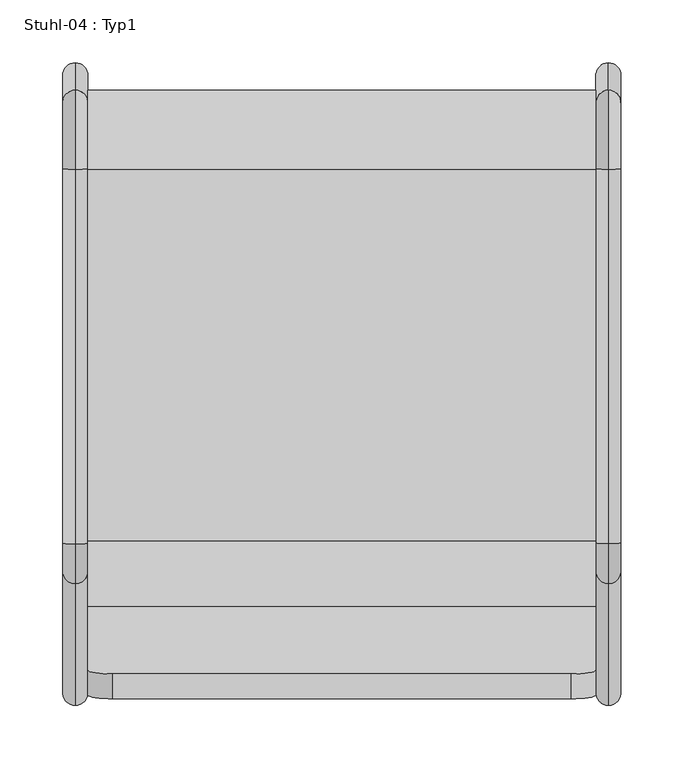
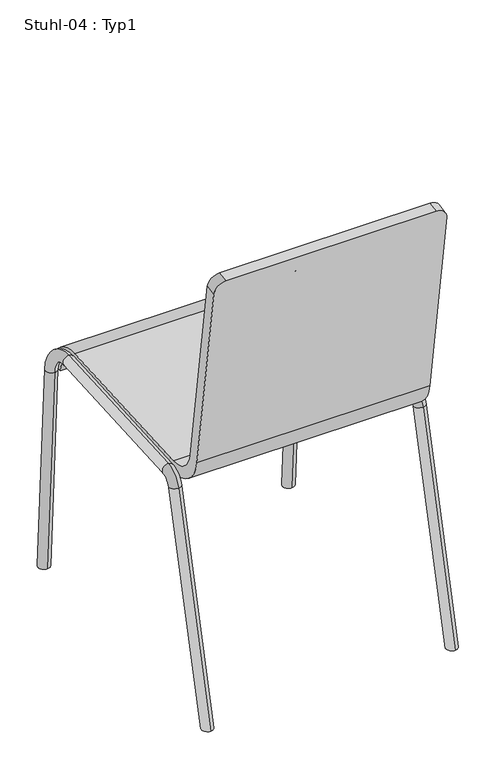
"""IFC4 building model written with IfcOpenShell, lengths in millimetres: furniture geometry, Stuhl-04 : Typ1."""

from ifc_helpers import new_model, si_unit, point, frame, origin, place, context, project, spatial, polyline, circle_curve, ellipse_curve, trimmed, source, transform, mapped, element, save
from ifc_brep_helpers import plane_surface, cylinder_surface, revolved_surface, advanced_brep


def stuhl_04_typ1_73dccce7(model_context):
    return source(origin(), model_context, "Body", "AdvancedBrep", [
        advanced_brep(
        [(-149.6053, 105.450673, 414.5657988), (-149.6053, 53.0953107, 457.0908917), (-149.6053, 2.2391064, 797.3777006), (-149.6053, -17.5412109, 794.4215124), (-149.6053, 33.3149934, 454.1347035), (-149.6053, 106.6125007, 394.5995734), (-149.6053, 402.6537429, 411.8261096), (-149.6053, 444.909849, 374.2173141), (-149.6053, 464.8760744, 375.3791418), (-149.6053, 401.4919152, 431.792335), (-554.6053, 105.450673, 414.5657988), (-554.6053, 401.4919152, 431.792335), (-554.6053, 464.8760744, 375.3791418), (-554.6053, 444.909849, 374.2173141), (-554.6053, 402.6537429, 411.8261096), (-554.6053, 106.6125007, 394.5995734), (-554.6053, 33.3149934, 454.1347035), (-554.6053, -17.5412109, 794.4215124), (-554.6053, 2.2391064, 797.3777006), (-554.6053, 53.0953107, 457.0908917), (-169.6053, -20.4973991, 814.2018297), (-534.6053, -20.4973991, 814.2018297), (-169.6053, -0.7170819, 817.1580179), (-534.6053, -0.7170819, 817.1580179)],
        [
            (0, 1, circle_curve(frame((-149.6053, 102.5461039, 464.4813623), z_axis=(-1.0, 0.0, 0.0), x_axis=(0.0, -1.0, 0.0)), 50.0)),
            (1, 2),
            (2, 3),
            (3, 4),
            (4, 5, circle_curve(frame((-149.6053, 102.5461039, 464.4813623), z_axis=(1.0, 0.0, 0.0), x_axis=(0.0, -1.0, 0.0)), 70.0)),
            (5, 6),
            (6, 7, circle_curve(frame((-149.6053, 404.9773982, 371.8936588), z_axis=(-1.0, 0.0, 0.0), x_axis=(0.0, -1.0, 0.0)), 40.0)),
            (7, 8),
            (8, 9, circle_curve(frame((-149.6053, 404.9773982, 371.8936588), z_axis=(1.0, 0.0, 0.0), x_axis=(0.0, -1.0, 0.0)), 60.0)),
            (9, 0),
            (10, 11),
            (11, 12, circle_curve(frame((-554.6053, 404.9773982, 371.8936588), z_axis=(-1.0, 0.0, 0.0), x_axis=(0.0, -1.0, 0.0)), 60.0)),
            (12, 13),
            (13, 14, circle_curve(frame((-554.6053, 404.9773982, 371.8936588), z_axis=(1.0, 0.0, 0.0), x_axis=(0.0, -1.0, 0.0)), 40.0)),
            (14, 15),
            (15, 16, circle_curve(frame((-554.6053, 102.5461039, 464.4813623), z_axis=(-1.0, 0.0, 0.0), x_axis=(0.0, -1.0, 0.0)), 70.0)),
            (16, 17),
            (17, 18),
            (18, 19),
            (19, 10, circle_curve(frame((-554.6053, 102.5461039, 464.4813623), z_axis=(1.0, 0.0, 0.0), x_axis=(0.0, -1.0, 0.0)), 50.0)),
            (9, 11),
            (10, 0),
            (8, 12),
            (7, 13),
            (6, 14),
            (5, 15),
            (4, 16),
            (3, 20, circle_curve(frame((-169.6053, -17.5412109, 794.4215124), z_axis=(0.0, -0.9890158633619166, -0.14780941112961252), x_axis=(-1.0, 0.0, 0.0)), 20.0)),
            (20, 21),
            (21, 17, circle_curve(frame((-534.6053, -17.5412109, 794.4215124), z_axis=(0.0, -0.9890158633619166, -0.14780941112961252), x_axis=(1.0, 0.0, 0.0)), 20.0)),
            (20, 22),
            (22, 23),
            (23, 21),
            (18, 23, circle_curve(frame((-534.6053, 2.2391064, 797.3777006), z_axis=(0.0, 0.9890158633619166, 0.14780941112961252), x_axis=(1.0, 0.0, 0.0)), 20.0)),
            (22, 2, circle_curve(frame((-169.6053, 2.2391064, 797.3777006), z_axis=(0.0, 0.9890158633619166, 0.14780941112961252), x_axis=(-1.0, 0.0, 0.0)), 20.0)),
            (1, 19),
        ],
        [
            plane_surface(frame((-149.6053, 399.2468499, 431.6616954), z_axis=(1.0000000000000002, 0.0, 0.0), x_axis=(0.0, 0.9983112697039764, 0.05809138302738736))),
            plane_surface(frame((-554.6053, 399.2468499, 431.6616954), z_axis=(-1.0000000000000002, 0.0, 0.0), x_axis=(0.0, -0.9983112697039764, -0.05809138302738736))),
            plane_surface(frame((-149.6053, 105.450673, 414.5657988), z_axis=(0.0, -0.05809138302738736, 0.9983112697039764), x_axis=(-1.0, 0.0, 0.0))),
            cylinder_surface(frame((-554.6053, 404.9773982, 371.8936588), z_axis=(1.0, 0.0, 0.0), x_axis=(0.0, -1.0, 0.0)), 60.0),
            plane_surface(frame((-149.6053, 464.8760744, 375.3791418), z_axis=(0.0, 0.058091383027390926, -0.9983112697039762), x_axis=(-1.0, 0.0, 0.0))),
            revolved_surface(polyline([(-554.6053, 364.9773982, 371.8936588), (-149.6053, 364.9773982, 371.8936588)]), (-554.6053, 404.9773982, 371.8936588), (-1.0, 0.0, 0.0)),
            plane_surface(frame((-149.6053, 402.6537429, 411.8261096), z_axis=(0.0, 0.05809138302738756, -0.9983112697039763), x_axis=(-1.0, 0.0, 0.0))),
            cylinder_surface(frame((-554.6053, 102.5461039, 464.4813623), z_axis=(1.0, 0.0, 0.0), x_axis=(0.0, -1.0, 0.0)), 70.0),
            plane_surface(frame((-149.6053, 33.3149934, 454.1347035), z_axis=(0.0, -0.9890158633619166, -0.1478094111296125), x_axis=(-1.0, 0.0, 0.0))),
            plane_surface(frame((-149.6053, -20.4973991, 814.2018297), z_axis=(0.0, -0.14780941112961524, 0.9890158633619162), x_axis=(-1.0, 0.0, 0.0))),
            plane_surface(frame((-149.6053, -0.7170819, 817.1580179), z_axis=(0.0, 0.9890158633619166, 0.14780941112961254), x_axis=(-1.0, 0.0, 0.0))),
            revolved_surface(polyline([(-554.6053, 52.546103900000006, 464.4813623), (-149.6053, 52.546103900000006, 464.4813623)]), (-554.6053, 102.5461039, 464.4813623), (-1.0, 0.0, 0.0)),
            cylinder_surface(frame((-534.6053, 2.2391064, 797.3777006), z_axis=(0.0, 0.9890158633619166, 0.14780941112961252), x_axis=(1.0, 0.0, 0.0)), 20.0),
            cylinder_surface(frame((-169.6053, 2.2391064, 797.3777006), z_axis=(0.0, 0.9890158633619166, 0.14780941112961252), x_axis=(-1.0, 0.0, 0.0)), 20.0),
        ],
        [
            (0, [[1, 2, 3, 4, 5, 6, 7, 8, 9, 10]]),
            (1, [[11, 12, 13, 14, 15, 16, 17, 18, 19, 20]]),
            (2, [[21, -11, 22, -10]]),
            (3, [[23, -12, -21, -9]]),
            (4, [[24, -13, -23, -8]]),
            (5, [[25, -14, -24, -7]]),
            (6, [[26, -15, -25, -6]]),
            (7, [[27, -16, -26, -5]]),
            (8, [[-4, 28, 29, 30, -17, -27]]),
            (9, [[31, 32, 33, -29]]),
            (10, [[-19, 34, -32, 35, -2, 36]]),
            (11, [[-22, -20, -36, -1]]),
            (12, [[-30, -33, -34, -18]]),
            (13, [[-35, -31, -28, -3]]),
        ],
    ),
        advanced_brep(
        [(-139.5255992, -4.9530016, 0.0), (-139.5255992, -25.5652742, 0.0), (-129.5255992, 476.7023393, 0.0), (-139.5255992, 466.6854234, 0.0), (-149.5255992, 476.7023393, 0.0), (-139.5255992, 90.5686349, 383.1163586), (-139.5255992, 71.1627204, 387.9547965), (-139.5255992, 103.0898724, 414.4284246), (-139.5255992, 104.2517001, 394.4621992), (-139.5255992, 401.4919152, 431.792335), (-139.5255992, 402.6537429, 411.8261096), (-139.5255992, 464.8760744, 375.3791418), (-139.5255992, 444.909849, 374.2173141), (-139.5255992, 486.685452, 0.5809138)],
        [
            (0, 1, ellipse_curve(frame((-139.5255992, -15.2591379, 0.0), z_axis=(0.0, 0.0, -1.0), x_axis=(0.0, -1.0, 0.0)), 10.3061363, 10.0)),
            (1, 0, ellipse_curve(frame((-139.5255992, -15.2591379, 0.0), z_axis=(0.0, 0.0, -1.0), x_axis=(0.0, -1.0, 0.0)), 10.3061363, 10.0)),
            (2, 3, ellipse_curve(frame((-139.5255992, 476.7023393, 0.0), z_axis=(0.0, 0.0, -1.0), x_axis=(0.0, -1.0, 0.0)), 10.0169159, 10.0)),
            (3, 4, ellipse_curve(frame((-139.5255992, 476.7023393, 0.0), z_axis=(0.0, 0.0, -1.0), x_axis=(0.0, -1.0, 0.0)), 10.0169159, 10.0)),
            (4, 2),
            (5, 0),
            (1, 6),
            (6, 5, circle_curve(frame((-139.5255992, 80.8656776, 385.5355776), z_axis=(0.0, -0.24192189559966623, -0.9702957262759968), x_axis=(0.0, -0.9702957262759968, 0.24192189559966623)), 10.0)),
            (5, 6, circle_curve(frame((-139.5255992, 80.8656776, 385.5355776), z_axis=(0.0, -0.24192189559966623, -0.9702957262759968), x_axis=(0.0, -0.9702957262759968, 0.24192189559966623)), 10.0)),
            (6, 7, circle_curve(frame((-139.5255992, 105.1230708, 379.4875302), z_axis=(-1.0, 0.0, 0.0), x_axis=(0.0, -0.9702957262759969, 0.2419218955996659)), 35.0)),
            (7, 8, circle_curve(frame((-139.5255992, 103.6707862, 404.4453119), z_axis=(0.0, -0.9983112697039765, -0.05809138302738498), x_axis=(0.0, -0.05809138302738498, 0.9983112697039765)), 10.0)),
            (8, 5, circle_curve(frame((-139.5255992, 105.1230708, 379.4875302), z_axis=(1.0, 0.0, 0.0), x_axis=(0.0, -0.9702957262759969, 0.2419218955996659)), 15.0)),
            (8, 7, circle_curve(frame((-139.5255992, 103.6707862, 404.4453119), z_axis=(0.0, -0.998311269703977, -0.058091383027376764), x_axis=(0.0, -0.058091383027376764, 0.998311269703977)), 10.0)),
            (7, 9),
            (9, 10, circle_curve(frame((-139.5255992, 402.0728291, 421.8092223), z_axis=(0.0, -0.9983112697039764, -0.058091383027386895), x_axis=(0.0, -0.058091383027386895, 0.9983112697039764)), 10.0)),
            (10, 8),
            (10, 9, circle_curve(frame((-139.5255992, 402.0728291, 421.8092223), z_axis=(0.0, -0.9983112697039764, -0.058091383027386895), x_axis=(0.0, -0.058091383027386895, 0.9983112697039764)), 10.0)),
            (9, 11, circle_curve(frame((-139.5255992, 404.9773982, 371.8936588), z_axis=(-1.0, 0.0, 0.0), x_axis=(0.0, -0.05809138302738633, 0.9983112697039764)), 60.0)),
            (11, 12, circle_curve(frame((-139.5255992, 454.8929617, 374.7982279), z_axis=(0.0, -0.05809138302739081, 0.9983112697039762), x_axis=(0.0, 0.9983112697039762, 0.05809138302739081)), 10.0)),
            (12, 10, circle_curve(frame((-139.5255992, 404.9773982, 371.8936588), z_axis=(1.0, 0.0, 0.0), x_axis=(0.0, -0.05809138302738633, 0.9983112697039764)), 40.0)),
            (12, 11, circle_curve(frame((-139.5255992, 454.8929617, 374.7982279), z_axis=(0.0, -0.058091383027391474, 0.9983112697039761), x_axis=(0.0, 0.9983112697039761, 0.058091383027391474)), 10.0)),
            (4, 13, circle_curve(frame((-139.5255992, 476.7023393, 0.0), z_axis=(0.0, 0.058091383027392335, -0.9983112697039761), x_axis=(0.0, 0.9983112697039761, 0.058091383027392335)), 10.0)),
            (13, 2, circle_curve(frame((-139.5255992, 476.7023393, 0.0), z_axis=(0.0, 0.058091383027392335, -0.9983112697039761), x_axis=(0.0, 0.9983112697039761, 0.058091383027392335)), 10.0)),
            (11, 13),
            (3, 12),
        ],
        [
            plane_surface(frame((-102.1053, -50.7055201, 0.0), z_axis=(0.0, 0.0, -1.0), x_axis=(-1.0, 0.0, 0.0))),
            cylinder_surface(frame((-139.5255992, -17.8692882, -10.4687411), z_axis=(0.0, -0.24192189559966623, -0.9702957262759968), x_axis=(0.0, -0.9702957262759968, 0.24192189559966623)), 10.0),
            revolved_surface(trimmed(ellipse_curve(frame((-139.5255992, 80.8656776, 385.5355776), z_axis=(0.0, 0.2419218955996659, 0.9702957262759969), x_axis=(0.0, -0.9702957262759969, 0.2419218955996659)), 10.0, 10.0), [point((-139.5255992, 90.5686349, 383.1163586))], [point((-139.5255992, 71.1627204, 387.9547965))], True, "CARTESIAN"), (-159.5255992, 105.1230708, 379.4875302), (1.0, 0.0, 0.0)),
            revolved_surface(trimmed(ellipse_curve(frame((-139.5255992, 80.8656776, 385.5355776), z_axis=(0.0, 0.2419218955996659, 0.9702957262759969), x_axis=(0.0, -0.9702957262759969, 0.2419218955996659)), 10.0, 10.0), [point((-139.5255992, 71.1627204, 387.9547965))], [point((-139.5255992, 90.5686349, 383.1163586))], True, "CARTESIAN"), (-159.5255992, 105.1230708, 379.4875302), (1.0, 0.0, 0.0)),
            cylinder_surface(frame((-139.5255992, 103.6707862, 404.4453119), z_axis=(0.0, -0.9983112697039764, -0.058091383027386895), x_axis=(0.0, -0.058091383027386895, 0.9983112697039764)), 10.0),
            revolved_surface(trimmed(ellipse_curve(frame((-139.5255992, 402.0728291, 421.8092223), z_axis=(0.0, 0.9983112697039764, 0.05809138302738631), x_axis=(0.0, -0.05809138302738631, 0.9983112697039764)), 10.0, 10.0), [point((-139.5255992, 402.6537429, 411.8261096))], [point((-139.5255992, 401.4919152, 431.792335))], True, "CARTESIAN"), (-159.5255992, 404.9773982, 371.8936588), (1.0, 0.0, 0.0)),
            revolved_surface(trimmed(ellipse_curve(frame((-139.5255992, 402.0728291, 421.8092223), z_axis=(0.0, 0.9983112697039764, 0.05809138302738631), x_axis=(0.0, -0.05809138302738631, 0.9983112697039764)), 10.0, 10.0), [point((-139.5255992, 401.4919152, 431.792335))], [point((-139.5255992, 402.6537429, 411.8261096))], True, "CARTESIAN"), (-159.5255992, 404.9773982, 371.8936588), (1.0, 0.0, 0.0)),
            plane_surface(frame((-159.5255992, 476.7023393, 0.0), z_axis=(0.0, 0.058091383027392335, -0.9983112697039761), x_axis=(1.0, 0.0, 0.0))),
            cylinder_surface(frame((-139.5255992, 454.8929617, 374.7982279), z_axis=(0.0, -0.058091383027392335, 0.9983112697039761), x_axis=(0.0, 0.9983112697039761, 0.058091383027392335)), 10.0),
        ],
        [
            (0, [[1, 2]]),
            (0, [[3, 4, 5]]),
            (1, [[6, -2, 7, 8]]),
            (1, [[-7, -1, -6, 9]]),
            (2, [[10, 11, 12, -8]]),
            (3, [[-12, 13, -10, -9]]),
            (4, [[14, 15, 16, -11]]),
            (4, [[-16, 17, -14, -13]]),
            (5, [[18, 19, 20, -15]]),
            (6, [[-20, 21, -18, -17]]),
            (7, [[-5, 22, 23]]),
            (8, [[24, -22, -4, 25, -19]]),
            (8, [[-25, -3, -23, -24, -21]]),
        ],
    ),
        advanced_brep(
        [(-554.6850007, 476.7023393, 0.0), (-574.6850007, 476.7023393, 0.0), (-564.6850007, 486.685452, 0.5809138), (-564.6850007, 90.5686349, 383.1163586), (-564.6850007, -4.9530016, 0.0), (-564.6850007, -25.5652742, 0.0), (-564.6850007, 71.1627204, 387.9547965), (-564.6850007, 466.6854234, 0.0), (-564.6850007, 103.0898724, 414.4284246), (-564.6850007, 401.4919152, 431.792335), (-564.6850007, 402.6537429, 411.8261096), (-564.6850007, 104.2517001, 394.4621992), (-564.6850007, 464.8760744, 375.3791418), (-564.6850007, 444.909849, 374.2173141)],
        [
            (0, 1),
            (1, 2, circle_curve(frame((-564.6850007, 476.7023393, 0.0), z_axis=(0.0, 0.058091383027392335, -0.9983112697039761), x_axis=(0.0, 0.9983112697039761, 0.058091383027392335)), 10.0)),
            (2, 0, circle_curve(frame((-564.6850007, 476.7023393, 0.0), z_axis=(0.0, 0.058091383027392335, -0.9983112697039761), x_axis=(0.0, 0.9983112697039761, 0.058091383027392335)), 10.0)),
            (3, 4),
            (4, 5, ellipse_curve(frame((-564.6850007, -15.2591379, 0.0), z_axis=(0.0, 0.0, 1.0), x_axis=(0.0, -1.0, 0.0)), 10.3061363, 10.0)),
            (5, 6),
            (6, 3, circle_curve(frame((-564.6850007, 80.8656776, 385.5355776), z_axis=(0.0, -0.24192189559966623, -0.9702957262759968), x_axis=(0.0, -0.9702957262759968, 0.24192189559966623)), 10.0)),
            (5, 4, ellipse_curve(frame((-564.6850007, -15.2591379, 0.0), z_axis=(0.0, 0.0, 1.0), x_axis=(0.0, -1.0, 0.0)), 10.3061363, 10.0)),
            (3, 6, circle_curve(frame((-564.6850007, 80.8656776, 385.5355776), z_axis=(0.0, -0.24192189559966623, -0.9702957262759968), x_axis=(0.0, -0.9702957262759968, 0.24192189559966623)), 10.0)),
            (0, 7, ellipse_curve(frame((-564.6850007, 476.7023393, 0.0), z_axis=(0.0, 0.0, -1.0), x_axis=(0.0, -1.0, 0.0)), 10.0169159, 10.0)),
            (7, 1, ellipse_curve(frame((-564.6850007, 476.7023393, 0.0), z_axis=(0.0, 0.0, -1.0), x_axis=(0.0, -1.0, 0.0)), 10.0169159, 10.0)),
            (8, 9),
            (9, 10, circle_curve(frame((-564.6850007, 402.0728291, 421.8092223), z_axis=(0.0, -0.9983112697039764, -0.058091383027386895), x_axis=(0.0, -0.058091383027386895, 0.9983112697039764)), 10.0)),
            (10, 11),
            (11, 8, circle_curve(frame((-564.6850007, 103.6707862, 404.4453119), z_axis=(0.0, 0.9983112697039764, 0.058091383027386895), x_axis=(0.0, -0.058091383027386895, 0.9983112697039764)), 10.0)),
            (10, 9, circle_curve(frame((-564.6850007, 402.0728291, 421.8092223), z_axis=(0.0, -0.9983112697039764, -0.058091383027386895), x_axis=(0.0, -0.058091383027386895, 0.9983112697039764)), 10.0)),
            (8, 11, circle_curve(frame((-564.6850007, 103.6707862, 404.4453119), z_axis=(0.0, 0.9983112697039764, 0.058091383027386895), x_axis=(0.0, -0.058091383027386895, 0.9983112697039764)), 10.0)),
            (9, 12, circle_curve(frame((-564.6850007, 404.9773982, 371.8936588), z_axis=(-1.0, 0.0, 0.0), x_axis=(0.0, -0.05809138302738633, 0.9983112697039764)), 60.0)),
            (12, 13, circle_curve(frame((-564.6850007, 454.8929617, 374.7982279), z_axis=(0.0, -0.05809138302739081, 0.9983112697039762), x_axis=(0.0, 0.9983112697039762, 0.05809138302739081)), 10.0)),
            (13, 10, circle_curve(frame((-564.6850007, 404.9773982, 371.8936588), z_axis=(1.0, 0.0, 0.0), x_axis=(0.0, -0.05809138302738633, 0.9983112697039764)), 40.0)),
            (13, 12, circle_curve(frame((-564.6850007, 454.8929617, 374.7982279), z_axis=(0.0, -0.058091383027391474, 0.9983112697039761), x_axis=(0.0, 0.9983112697039761, 0.058091383027391474)), 10.0)),
            (12, 2),
            (7, 13),
            (6, 8, circle_curve(frame((-564.6850007, 105.1230708, 379.4875302), z_axis=(-1.0, 0.0, 0.0), x_axis=(0.0, -0.9702957262759969, 0.2419218955996659)), 35.0)),
            (11, 3, circle_curve(frame((-564.6850007, 105.1230708, 379.4875302), z_axis=(1.0, 0.0, 0.0), x_axis=(0.0, -0.9702957262759969, 0.2419218955996659)), 15.0)),
        ],
        [
            plane_surface(frame((-544.6850007, 476.7023393, 0.0), z_axis=(0.0, 0.058091383027392335, -0.9983112697039761), x_axis=(-1.0, 0.0, 0.0))),
            cylinder_surface(frame((-564.6850007, -17.8692882, -10.4687411), z_axis=(0.0, -0.24192189559966623, -0.9702957262759968), x_axis=(0.0, -0.9702957262759968, 0.24192189559966623)), 10.0),
            plane_surface(frame((-102.1053, -50.7055201, 0.0), z_axis=(0.0, 0.0, -1.0), x_axis=(-1.0, 0.0, 0.0))),
            cylinder_surface(frame((-564.6850007, 103.6707862, 404.4453119), z_axis=(0.0, -0.9983112697039764, -0.058091383027386895), x_axis=(0.0, -0.058091383027386895, 0.9983112697039764)), 10.0),
            revolved_surface(trimmed(ellipse_curve(frame((-564.6850007, 402.0728291, 421.8092223), z_axis=(0.0, 0.9983112697039764, 0.05809138302738631), x_axis=(0.0, -0.05809138302738631, 0.9983112697039764)), 10.0, 10.0), [point((-564.6850007, 402.6537429, 411.8261096))], [point((-564.6850007, 401.4919152, 431.792335))], True, "CARTESIAN"), (-544.6850007, 404.9773982, 371.8936588), (1.0, 0.0, 0.0)),
            revolved_surface(trimmed(ellipse_curve(frame((-564.6850007, 402.0728291, 421.8092223), z_axis=(0.0, 0.9983112697039764, 0.05809138302738631), x_axis=(0.0, -0.05809138302738631, 0.9983112697039764)), 10.0, 10.0), [point((-564.6850007, 401.4919152, 431.792335))], [point((-564.6850007, 402.6537429, 411.8261096))], True, "CARTESIAN"), (-544.6850007, 404.9773982, 371.8936588), (1.0, 0.0, 0.0)),
            cylinder_surface(frame((-564.6850007, 454.8929617, 374.7982279), z_axis=(0.0, -0.058091383027392335, 0.9983112697039761), x_axis=(0.0, 0.9983112697039761, 0.058091383027392335)), 10.0),
            revolved_surface(trimmed(ellipse_curve(frame((-564.6850007, 80.8656776, 385.5355776), z_axis=(0.0, 0.2419218955996659, 0.9702957262759969), x_axis=(0.0, -0.9702957262759969, 0.2419218955996659)), 10.0, 10.0), [point((-564.6850007, 90.5686349, 383.1163586))], [point((-564.6850007, 71.1627204, 387.9547965))], True, "CARTESIAN"), (-544.6850007, 105.1230708, 379.4875302), (1.0, 0.0, 0.0)),
            revolved_surface(trimmed(ellipse_curve(frame((-564.6850007, 80.8656776, 385.5355776), z_axis=(0.0, 0.2419218955996659, 0.9702957262759969), x_axis=(0.0, -0.9702957262759969, 0.2419218955996659)), 10.0, 10.0), [point((-564.6850007, 71.1627204, 387.9547965))], [point((-564.6850007, 90.5686349, 383.1163586))], True, "CARTESIAN"), (-544.6850007, 105.1230708, 379.4875302), (1.0, 0.0, 0.0)),
        ],
        [
            (0, [[1, 2, 3]]),
            (1, [[4, 5, 6, 7]]),
            (1, [[-6, 8, -4, 9]]),
            (2, [[-8, -5]]),
            (2, [[10, 11, -1]]),
            (3, [[12, 13, 14, 15]]),
            (3, [[-14, 16, -12, 17]]),
            (4, [[18, 19, 20, -13]]),
            (5, [[-20, 21, -18, -16]]),
            (6, [[22, -2, -11, 23, -19]]),
            (6, [[-23, -10, -3, -22, -21]]),
            (7, [[24, -15, 25, -7]]),
            (8, [[-25, -17, -24, -9]]),
        ],
    ),
    ])


if __name__ == "__main__":
    model = new_model("IFC4")
    model_context = context("Model", 3, world=origin())
    ifc_project = project(units=[si_unit("LENGTHUNIT", "METRE", prefix="MILLI")], contexts=[model_context])
    site = spatial("IfcSite", under=ifc_project)
    building = spatial("IfcBuilding", under=site)
    placement = place(None, origin())
    stuhl_04_typ1_shape = stuhl_04_typ1_73dccce7(model_context)
    element("IfcFurniture", 1, ObjectType="Stuhl-04 : Typ1", at=placement, inside=building, context=model_context, shape_type="MappedRepresentation", body=[
        mapped(stuhl_04_typ1_shape, transform((0.0, 0.0, 0.0), x_axis=(1.0, 0.0, 0.0), y_axis=(0.0, 1.0, 0.0), z_axis=(0.0, 0.0, 1.0))),
    ])
    save(model, "model.ifc")
